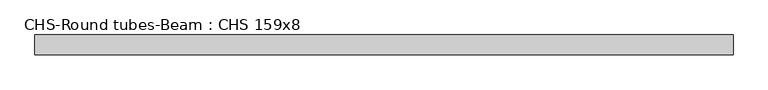
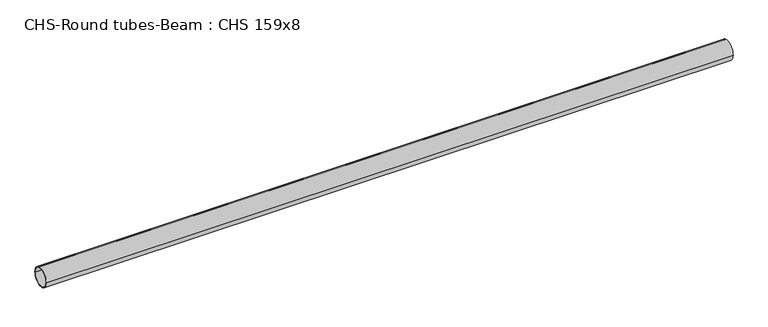
"""IFC4 building model written with IfcOpenShell, lengths in millimetres: beam geometry, CHS-Round tubes-Beam : CHS 159x8."""

from ifc_helpers import new_model, si_unit, point, frame, origin, origin_2d, place, context, project, spatial, circle_curve, trimmed, segment, composite_curve, outline, extrude, source, transform, mapped, element, save


def chs_round_tubes_beam_chs_159x8_bc659900(model_context):
    return source(origin(), model_context, "Body", "SweptSolid", [
        extrude(outline(composite_curve([segment(trimmed(circle_curve(origin_2d(), 79.5), [point((79.5, 0.0))], [point((-79.5, 0.0))], False, "CARTESIAN"), True, "CONTINUOUS"), segment(trimmed(circle_curve(origin_2d(), 79.5), [point((-79.5, 0.0))], [point((79.5, 0.0))], False, "CARTESIAN"), True, "CONTINUOUS")], self_intersect=False), holes=[composite_curve([segment(trimmed(circle_curve(origin_2d(), 71.5), [point((71.5, 0.0))], [point((-71.5, 0.0))], True, "CARTESIAN"), True, "CONTINUOUS"), segment(trimmed(circle_curve(origin_2d(), 71.5), [point((-71.5, 0.0))], [point((71.5, 0.0))], True, "CARTESIAN"), True, "CONTINUOUS")], self_intersect=False)]), frame((-2814.992081, 0.0, 0.0), z_axis=(1.0, 0.0, 0.0), x_axis=(0.0, 1.0, 0.0)), (0.0, 0.0, 1.0), 5623.9790946),
    ])


if __name__ == "__main__":
    model = new_model("IFC4")
    model_context = context("Model", 3, world=origin())
    ifc_project = project(units=[si_unit("LENGTHUNIT", "METRE", prefix="MILLI")], contexts=[model_context])
    site = spatial("IfcSite", under=ifc_project)
    building = spatial("IfcBuilding", under=site)
    placement = place(None, origin())
    chs_round_tubes_beam_chs_159x8_shape = chs_round_tubes_beam_chs_159x8_bc659900(model_context)
    element("IfcBeam", 1, ObjectType="CHS-Round tubes-Beam : CHS 159x8", at=placement, inside=building, context=model_context, shape_type="MappedRepresentation", body=[
        mapped(chs_round_tubes_beam_chs_159x8_shape, transform((0.0, 0.0, 0.0), x_axis=(1.0, 0.0, 0.0), y_axis=(0.0, 1.0, 0.0), z_axis=(0.0, 0.0, 1.0))),
    ])
    save(model, "model.ifc")
